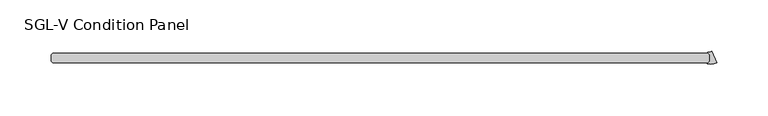
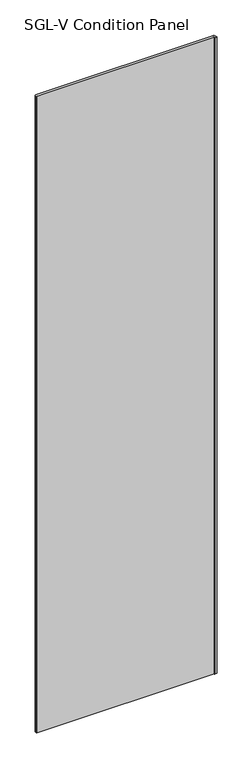
"""IFC4 building model written with IfcOpenShell, lengths in millimetres: plate geometry, SGL-V Condition Panel."""

from ifc_helpers import new_model, si_unit, point, frame_2d, origin, origin_with_axes, place, context, project, spatial, polyline, circle_curve, trimmed, segment, composite_curve, outline, extrude, source, transform, mapped, element, save


def sgl_v_condition_panel_07b9717b(model_context):
    return source(origin(), model_context, "Body", "SweptSolid", [
        extrude(outline(composite_curve([segment(trimmed(circle_curve(frame_2d((325.462995, -18.5950115)), 17.6705863), [point((331.659972, -35.1433375))], [point((322.9799997, -36.0902781))], False, "CARTESIAN"), True, "CONTINUOUS"), segment(trimmed(circle_curve(frame_2d((323.0357669, -35.6973407)), 0.396875), [point((322.9799997, -36.0902781))], [point((322.7551339, -35.4167077))], False, "CARTESIAN"), True, "CONTINUOUS"), segment(polyline([(322.7551339, -35.4167077), (324.8343416, -33.3375), (324.8343416, -26.9875), (323.1278746, -25.2810331)]), True, "CONTINUOUS"), segment(trimmed(circle_curve(frame_2d((323.4085076, -25.0004)), 0.396875), [point((323.1278746, -25.2810331))], [point((323.4004278, -24.6036073))], False, "CARTESIAN"), True, "CONTINUOUS"), segment(trimmed(circle_curve(frame_2d((323.2331067, -16.386585)), 8.2187257), [point((323.4004278, -24.6036073))], [point((326.9309388, -23.7264413))], True, "CARTESIAN"), True, "CONTINUOUS"), segment(polyline([(326.9309388, -23.7264413), (331.659972, -35.1433375)]), True, "CONTINUOUS")], self_intersect=False)), origin_with_axes(), (0.0, 0.0, 1.0), 2417.075),
        extrude(outline(polyline([(323.2468416, -34.925), (-315.515625, -34.925), (-317.103125, -33.3375), (-317.103125, -26.9875), (-315.515625, -25.4), (323.2468416, -25.4), (324.8343416, -26.9875), (324.8343416, -33.3375), (323.2468416, -34.925)])), origin_with_axes(), (0.0, 0.0, 1.0), 2417.075),
    ])


if __name__ == "__main__":
    model = new_model("IFC4")
    model_context = context("Model", 3, world=origin())
    ifc_project = project(units=[si_unit("LENGTHUNIT", "METRE", prefix="MILLI")], contexts=[model_context])
    site = spatial("IfcSite", under=ifc_project)
    building = spatial("IfcBuilding", under=site)
    placement = place(None, origin())
    sgl_v_condition_panel_shape = sgl_v_condition_panel_07b9717b(model_context)
    element("IfcPlate", 1, ObjectType="SGL-V Condition Panel", at=placement, inside=building, context=model_context, shape_type="MappedRepresentation", body=[
        mapped(sgl_v_condition_panel_shape, transform((0.0, 0.0, 0.0), x_axis=(1.0, 0.0, 0.0), y_axis=(0.0, 1.0, 0.0), z_axis=(0.0, 0.0, 1.0))),
    ])
    save(model, "model.ifc")
